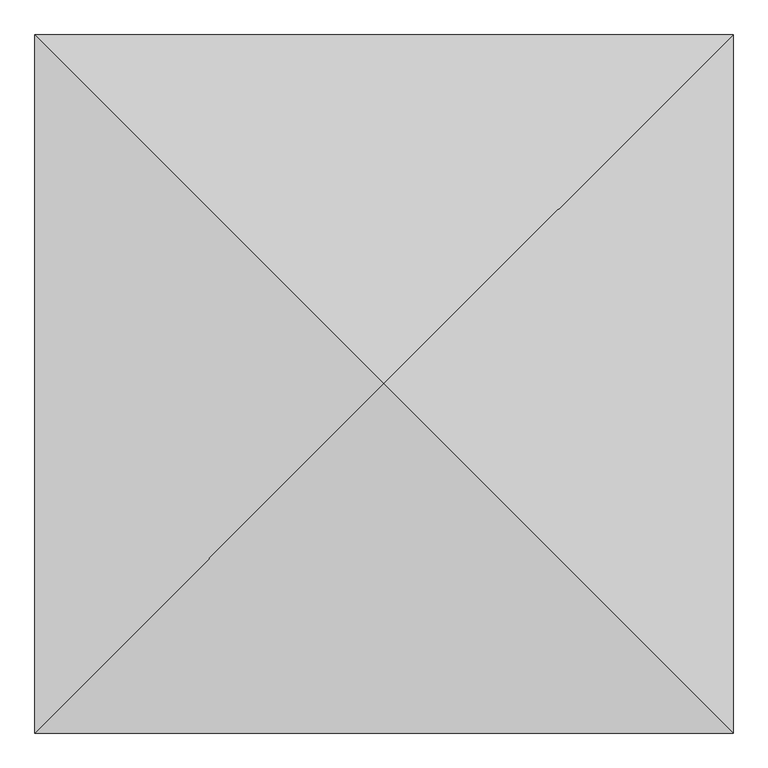
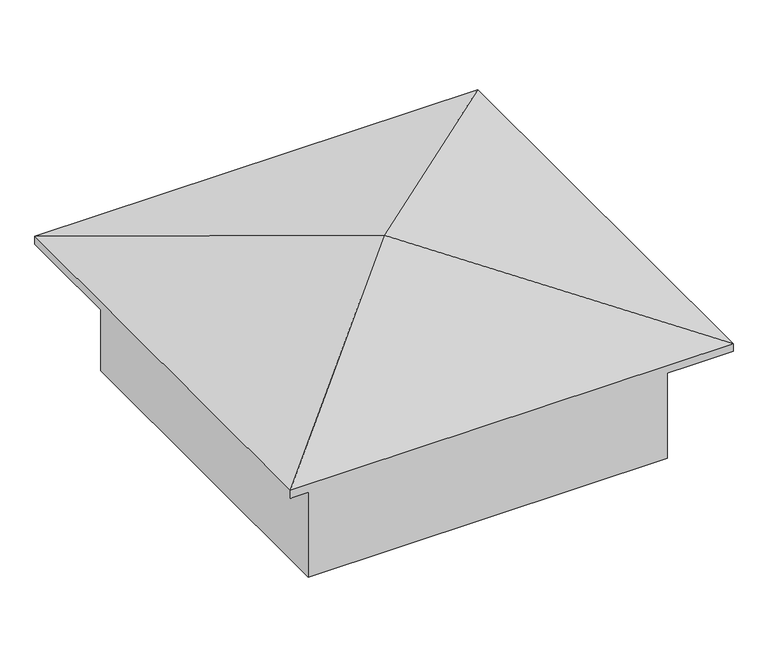
"""IFC4 building model written with IfcOpenShell, lengths in millimetres: geographic element geometry."""

import ifcopenshell
import ifcopenshell.guid

model = None  # the IFC model being written
_history = None  # IfcOwnerHistory: only IFC2X3 demands one
_inside = {}  # id of a spatial element -> (the spatial element, [elements in it])
_under = {}  # id of a project, library or spatial element -> (it, [spatial elements below it])
_declared = {}  # id of a project -> (the project, [libraries it declares])
_typed = {}  # id of a type object -> (the type object, [elements of that type])
_made_of = {}  # id of a material, layer set ... -> (it, [elements and type objects made of it])


def new_model(schema):
    """Start an empty IFC model of exactly this schema.

    Asked for "IFC4X3", IfcOpenShell would pick the latest addendum, in which some entities
    have other attributes; the version numbers below select the first issue.
    IFC2X3 requires an IfcOwnerHistory on every rooted entity: one is made here for all.
    """
    global model, _history
    if schema == "IFC4X3":
        model = ifcopenshell.file(schema_version=(4, 3, 0, 0))
    else:
        model = ifcopenshell.file(schema=schema)
    _inside.clear()
    _under.clear()
    _declared.clear()
    _typed.clear()
    _made_of.clear()
    _history = None
    if model.schema == "IFC2X3":
        org = make("IfcOrganization", Name="unknown")
        user = make(
            "IfcPersonAndOrganization",
            ThePerson=make("IfcPerson", FamilyName="unknown"),
            TheOrganization=org,
        )
        app = make(
            "IfcApplication",
            ApplicationDeveloper=org,
            Version="unknown",
            ApplicationFullName="unknown",
            ApplicationIdentifier="unknown",
        )
        _history = make(
            "IfcOwnerHistory",
            OwningUser=user,
            OwningApplication=app,
            ChangeAction="ADDED",
            CreationDate=0,
        )
    return model


def make(cls, **values):
    """One entity of the class cls with the attributes given. An attribute that is None is left unset."""
    return model.create_entity(
        cls, **{name: value for name, value in values.items() if value is not None}
    )


def rooted(cls, **values):
    """An entity with a GlobalId (a new one), such as an element, a storey or a relation."""
    return make(cls, GlobalId=ifcopenshell.guid.new(), OwnerHistory=_history, **values)


def si_unit(unit_type, name, prefix=None):
    """IfcSIUnit, for example si_unit("LENGTHUNIT", "METRE", prefix="MILLI")."""
    return make("IfcSIUnit", UnitType=unit_type, Prefix=prefix, Name=name)


def assignment(units):
    """IfcUnitAssignment: the units of a project."""
    return None if units is None else make("IfcUnitAssignment", Units=units)


def point(xyz):
    """IfcCartesianPoint."""
    return None if xyz is None else make("IfcCartesianPoint", Coordinates=xyz)


def direction(xyz):
    """IfcDirection."""
    return None if xyz is None else make("IfcDirection", DirectionRatios=xyz)


def frame(location, z_axis=None, x_axis=None):
    """IfcAxis2Placement3D, a coordinate frame: its origin and axes. An axis left out is left unset."""
    return make(
        "IfcAxis2Placement3D",
        Location=point(location),
        Axis=direction(z_axis),
        RefDirection=direction(x_axis),
    )


def origin():
    """The frame at (0, 0, 0) with its axes left unset."""
    return frame((0.0, 0.0, 0.0))


def place(relative_to, where):
    """IfcLocalPlacement: puts the frame where relative to a parent placement (None: the world)."""
    return make(
        "IfcLocalPlacement", PlacementRelTo=relative_to, RelativePlacement=where
    )


def context(
    kind, dimensions, precision=None, world=None, true_north=None, identifier=None
):
    """IfcGeometricRepresentationContext, for example the 3D "Model" context."""
    return make(
        "IfcGeometricRepresentationContext",
        ContextIdentifier=identifier,
        ContextType=kind,
        CoordinateSpaceDimension=dimensions,
        Precision=precision,
        WorldCoordinateSystem=world,
        TrueNorth=true_north,
    )


def project(units=None, contexts=None):
    """IfcProject with its units and contexts."""
    return rooted(
        "IfcProject",
        Name="project",
        RepresentationContexts=contexts,
        UnitsInContext=assignment(units),
    )


def spatial(cls, under=None, at=None, **own):
    """A site, building, storey or space (cls), placed at a placement, below another one or the project."""
    s = rooted(cls, ObjectPlacement=at, **own)
    if under is not None:
        _under.setdefault(under.id(), (under, []))[1].append(s)
    return s


def point_list(points):
    """IfcCartesianPointList2D or 3D."""
    cls = (
        "IfcCartesianPointList2D" if len(points[0]) == 2 else "IfcCartesianPointList3D"
    )
    return make(cls, CoordList=points)


def triangles(points, corners, closed=None, point_numbers=None):
    """IfcTriangulatedFaceSet: each triangle names its three corners, points numbered from 1."""
    return make(
        "IfcTriangulatedFaceSet",
        Coordinates=point_list(points),
        Closed=closed,
        CoordIndex=corners,
        PnIndex=point_numbers,
    )


def shape(context_of_items, identifier, shape_type, items):
    """IfcShapeRepresentation: the items that make up one representation, for example the "Body"."""
    return make(
        "IfcShapeRepresentation",
        ContextOfItems=context_of_items,
        RepresentationIdentifier=identifier,
        RepresentationType=shape_type,
        Items=items,
    )


def source(mapping_origin, context_of_items, identifier, shape_type, items):
    """IfcRepresentationMap: a shape defined once, which mapped items show again and again."""
    return make(
        "IfcRepresentationMap",
        MappingOrigin=mapping_origin,
        MappedRepresentation=shape(context_of_items, identifier, shape_type, items),
    )


def transform(
    local_origin,
    x_axis=None,
    y_axis=None,
    z_axis=None,
    scale=None,
    scale2=None,
    scale3=None,
    uniform=True,
):
    """IfcCartesianTransformationOperator3D, or its non-uniform kind. x_axis, y_axis, z_axis: its Axis1, 2, 3."""
    if uniform:
        return make(
            "IfcCartesianTransformationOperator3D",
            Axis1=direction(x_axis),
            Axis2=direction(y_axis),
            LocalOrigin=point(local_origin),
            Scale=scale,
            Axis3=direction(z_axis),
        )
    return make(
        "IfcCartesianTransformationOperator3DnonUniform",
        Axis1=direction(x_axis),
        Axis2=direction(y_axis),
        LocalOrigin=point(local_origin),
        Scale=scale,
        Axis3=direction(z_axis),
        Scale2=scale2,
        Scale3=scale3,
    )


def mapped(mapping_source, mapping_target):
    """IfcMappedItem: shows the shape of a source again, moved by a transform."""
    return make(
        "IfcMappedItem", MappingSource=mapping_source, MappingTarget=mapping_target
    )


def made_of(thing, what):
    """Note that an element or type object is made of a material, layer set ...; save() writes the relation."""
    if what is not None:
        _made_of.setdefault(what.id(), (what, []))[1].append(thing)
    return thing


def element(
    cls,
    number,
    at=None,
    inside=None,
    cuts=None,
    type_object=None,
    material=None,
    context=None,
    identifier="Body",
    shape_type=None,
    held_by="IfcProductDefinitionShape",
    body=None,
    shapes=None,
    **own,
):
    """One element of the class cls, such as IfcWall. Its Tag is "e" and its number.

    at: its placement. inside: the storey or other place that contains it. cuts: it is an
    opening in that element (IfcRelVoidsElement). A single representation is given by context,
    identifier, shape_type and body (its items); several are given by shapes. held_by: the class
    of the entity that holds the representations. save() writes the other relations.
    """
    e = rooted(cls, Tag="e%d" % number, ObjectPlacement=at, **own)
    if body is not None:
        shapes = [shape(context, identifier, shape_type, body)]
    if shapes is not None:
        e.Representation = make(held_by, Representations=shapes)
    if inside is not None:
        _inside.setdefault(inside.id(), (inside, []))[1].append(e)
    if cuts is not None:
        rooted(
            "IfcRelVoidsElement", RelatingBuildingElement=cuts, RelatedOpeningElement=e
        )
    if type_object is not None:
        _typed.setdefault(type_object.id(), (type_object, []))[1].append(e)
    return made_of(e, material)


def aggregate(whole, parts):
    """IfcRelAggregates: a whole, such as a stair, and the parts it consists of."""
    return rooted("IfcRelAggregates", RelatingObject=whole, RelatedObjects=parts)


def save(model, path):
    """Write the relations noted so far, then the file.

    IfcRelAggregates (storeys below a building ...), IfcRelContainedInSpatialStructure (elements
    in a storey), IfcRelDefinesByType, IfcRelAssociatesMaterial and IfcRelDeclares: one each for
    every whole, place, type object, material and project.
    """
    for whole, parts in _under.values():
        aggregate(whole, parts)
    for where, things in _inside.values():
        rooted(
            "IfcRelContainedInSpatialStructure",
            RelatedElements=things,
            RelatingStructure=where,
        )
    for kind, things in _typed.values():
        rooted("IfcRelDefinesByType", RelatedObjects=things, RelatingType=kind)
    for what, things in _made_of.values():
        rooted("IfcRelAssociatesMaterial", RelatedObjects=things, RelatingMaterial=what)
    for by, libraries in _declared.values():
        rooted("IfcRelDeclares", RelatingContext=by, RelatedDefinitions=libraries)
    model.write(path)


def geographic_element_c3aa2f98(model_context):
    return source(origin(), model_context, "Body", "Tessellation", [
        triangles([(4147.8200775, 4147.8200775, 3553.4801926), (0.0, 8295.640155, 2464.8972198), (0.0, 0.0, 2464.8972198), (8295.640155, 8295.640155, 2464.8972198), (8295.640155, 0.0, 2464.8972198), (8295.640155, 8295.640155, 2311.4405983), (0.0, 0.0, 2311.4405983), (0.0, 8295.640155, 2311.4405983), (8295.640155, 0.0, 2311.4405983), (7515.3517365, 7515.3517365, 0.0), (780.2879826, 780.2879826, 0.0), (780.2879826, 7515.3517365, 0.0), (7515.3517365, 780.2879826, 0.0), (7515.3517365, 780.2879826, 2464.8972198), (780.2879826, 780.2879826, 2464.8972198), (7515.3517365, 7515.3517365, 2464.8972198), (780.2879826, 7515.3517365, 2464.8972198)], [[1, 2, 3], [4, 2, 1], [5, 1, 3], [4, 1, 5], [6, 7, 8], [7, 6, 9], [2, 7, 3], [7, 2, 8], [2, 6, 8], [6, 2, 4], [6, 5, 9], [5, 6, 4], [5, 7, 9], [7, 5, 3], [10, 11, 12], [11, 10, 13], [14, 11, 13], [11, 14, 15], [10, 14, 13], [14, 10, 16], [17, 10, 12], [10, 17, 16], [17, 11, 15], [11, 17, 12], [14, 17, 15], [17, 14, 16]]),
    ])


if __name__ == "__main__":
    model = new_model("IFC4")
    model_context = context("Model", 3, world=origin())
    ifc_project = project(units=[si_unit("LENGTHUNIT", "METRE", prefix="MILLI")], contexts=[model_context])
    site = spatial("IfcSite", under=ifc_project)
    building = spatial("IfcBuilding", under=site)
    placement = place(None, origin())
    geographic_element_shape = geographic_element_c3aa2f98(model_context)
    element("IfcGeographicElement", 1, at=placement, inside=building, context=model_context, shape_type="MappedRepresentation", body=[
        mapped(geographic_element_shape, transform((0.0, 0.0, 0.0), x_axis=(1.0, 0.0, 0.0), y_axis=(0.0, 1.0, 0.0), z_axis=(0.0, 0.0, 1.0))),
    ])
    save(model, "model.ifc")
